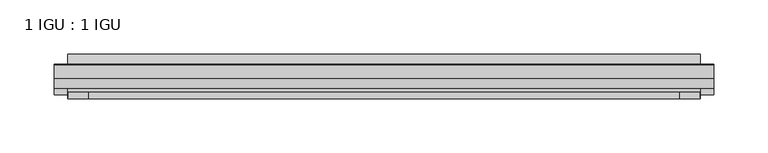
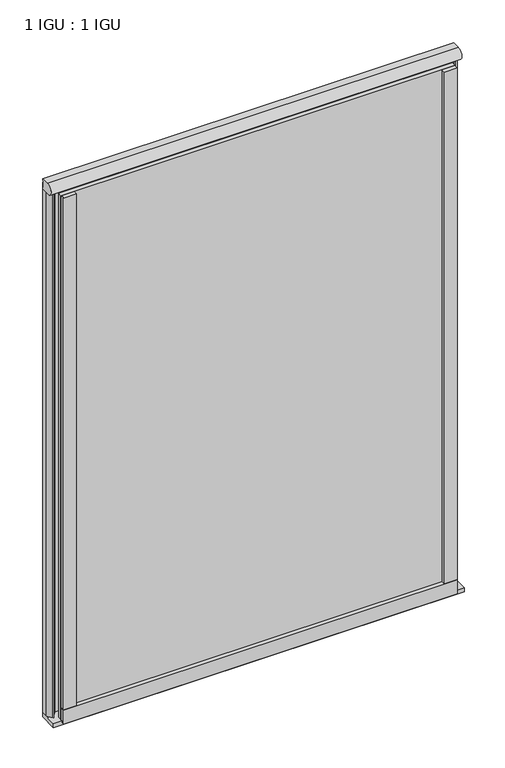
"""IFC4 building model written with IfcOpenShell, lengths in millimetres: plate geometry, 1 IGU : 1 IGU."""

from ifc_helpers import new_model, si_unit, point, frame, frame_2d, origin, place, context, project, spatial, polyline, circle_curve, ellipse_curve, trimmed, segment, composite_curve, outline, extrude, source, transform, mapped, element, save
from ifc_brep_helpers import plane_surface, revolved_surface, extruded_surface, advanced_brep


def plate_1_igu_1_igu_01525614(model_context):
    return source(origin(), model_context, "Body", "SolidModel", [
        extrude(outline(polyline([(292.1, 0.0021347), (292.1, -6.2992), (-292.1, -6.2992), (-292.1, 0.0021347), (292.1, 0.0021347)])), frame((0.0, 0.0, -19.05), z_axis=(0.0, 0.0, 1.0), x_axis=(1.0, 0.0, 0.0)), (0.0, 0.0, 1.0), 822.3250001),
        extrude(outline(polyline([(-292.1, -19.0986653), (292.1, -19.0986653), (292.1, -25.3978653), (-292.1, -25.3978653), (-292.1, -19.0986653)])), frame((0.0, 0.0, -19.05), z_axis=(0.0, 0.0, 1.0), x_axis=(1.0, 0.0, 0.0)), (0.0, 0.0, 1.0), 822.3250001),
        advanced_brep(
        [(304.8, -0.8454205, 819.1500001), (304.8, -12.7, 819.1500001), (304.8, -17.3907831, 803.2750001), (304.8, 0.0, 803.2750001), (-304.8, -0.8454205, 819.1500001), (-304.8, 0.0, 803.2750001), (-304.8, -17.3907831, 803.2750001), (-304.8, -12.7, 819.1500001)],
        [
            (0, 1),
            (1, 2, ellipse_curve(frame((304.8, -12.7, 810.6263315), z_axis=(1.0, 0.0, 0.0), x_axis=(0.0, -1.0, 0.0)), 9.2680588, 8.5236686)),
            (2, 3),
            (3, 0, circle_curve(frame((304.8, 29.6035756, 812.8115449), z_axis=(-1.0, 0.0, 0.0), x_axis=(0.0, 0.0, 1.0)), 31.1017263)),
            (4, 5, circle_curve(frame((-304.8, 29.6035756, 812.8115449), z_axis=(1.0, 0.0, 0.0), x_axis=(0.0, 0.0, 1.0)), 31.1017263)),
            (5, 6),
            (6, 7, ellipse_curve(frame((-304.8, -12.7, 810.6263315), z_axis=(-1.0, 0.0, 0.0), x_axis=(0.0, -1.0, 0.0)), 9.2680588, 8.5236686)),
            (7, 4),
            (0, 4),
            (7, 1),
            (6, 2),
            (5, 3),
        ],
        [
            plane_surface(frame((304.8, 0.0, 809.6250001), z_axis=(1.0, 0.0, 0.0), x_axis=(0.0, 1.0, 0.0))),
            plane_surface(frame((-304.8, 0.0, 809.6250001), z_axis=(-1.0, 0.0, 0.0), x_axis=(0.0, 1.0, 0.0))),
            plane_surface(frame((304.8, -0.8454205, 819.1500001), z_axis=(0.0, 0.0, 1.0), x_axis=(-1.0, 0.0, 0.0))),
            extruded_surface(trimmed(ellipse_curve(frame((-304.8, -12.7, 810.6263315), z_axis=(1.0, 0.0, 0.0), x_axis=(0.0, -1.0, 0.0)), 9.2680588, 8.5236686), [point((-304.8, -12.7, 819.1500001))], [point((-304.8, -17.3907831, 803.2750001))], True, "CARTESIAN"), (609.6, 0.0, 0.0), 609.6),
            plane_surface(frame((304.8, -17.3907831, 803.2750001), z_axis=(0.0, 0.0, -1.0), x_axis=(-1.0, 0.0, 0.0))),
            revolved_surface(polyline([(-304.8, 29.6035756, 843.9132711999999), (304.8, 29.6035756, 843.9132711999999)]), (304.8, 29.6035756, 812.8115449), (-1.0, 0.0, 0.0)),
        ],
        [
            (0, [[1, 2, 3, 4]]),
            (1, [[5, 6, 7, 8]]),
            (2, [[-1, 9, -8, 10]]),
            (3, [[-2, -10, -7, 11]]),
            (4, [[-3, -11, -6, 12]]),
            (5, [[-4, -12, -5, -9]]),
        ],
    ),
        extrude(outline(composite_curve([segment(trimmed(circle_curve(frame_2d((10.9021792, -22.6833935)), 11.4916952), [point((0.0, -19.05))], [point((-0.2638007, -25.4))], True, "CARTESIAN"), True, "CONTINUOUS"), segment(polyline([(-0.2638007, -25.4), (-27.9952564, -25.4), (-27.9952564, -19.05), (0.0, -19.05)]), True, "CONTINUOUS")], self_intersect=False)), frame((-304.8, 0.0, 0.0), z_axis=(1.0, 0.0, 0.0), x_axis=(0.0, 1.0, 0.0)), (0.0, 0.0, 1.0), 609.6),
        extrude(outline(composite_curve([segment(polyline([(304.8, 0.0), (304.8, -9.7395025), (299.2337691, -16.3730781)]), True, "CONTINUOUS"), segment(trimmed(circle_curve(frame_2d((298.2800941, -15.7728374)), 1.1268473), [point((299.2337691, -16.3730781))], [point((297.1791412, -16.0130197))], False, "CARTESIAN"), True, "CONTINUOUS"), segment(polyline([(297.1791412, -16.0130197), (296.1989498, -11.7377885)]), True, "CONTINUOUS"), segment(trimmed(circle_curve(frame_2d((296.0714979, -7.7683362)), 3.9714979), [point((296.1989498, -11.7377885))], [point((292.1001786, -7.8060014))], False, "CARTESIAN"), True, "CONTINUOUS"), segment(polyline([(292.1001786, -7.8060014), (292.1001786, 0.0), (304.8, 0.0)]), True, "CONTINUOUS")], self_intersect=False)), frame((0.0, 0.0, -19.05), z_axis=(0.0, 0.0, 1.0), x_axis=(1.0, 0.0, 0.0)), (0.0, 0.0, 1.0), 832.6374001),
        extrude(outline(composite_curve([segment(polyline([(-292.1, 8.8e-06), (-292.1, -7.7683362)]), True, "CONTINUOUS"), segment(trimmed(circle_curve(frame_2d((-296.0714979, -7.7683362)), 3.9714979), [point((-292.1, -7.7683362))], [point((-296.1989498, -11.7377885))], False, "CARTESIAN"), True, "CONTINUOUS"), segment(polyline([(-296.1989498, -11.7377885), (-297.1789843, -16.012436)]), True, "CONTINUOUS"), segment(trimmed(circle_curve(frame_2d((-298.2801933, -15.7723555)), 1.1270758), [point((-297.1789843, -16.012436))], [point((-299.2340327, -16.372764))], False, "CARTESIAN"), True, "CONTINUOUS"), segment(polyline([(-299.2340327, -16.372764), (-304.8, -9.7395025), (-304.8, 8.8e-06), (-292.1, 8.8e-06)]), True, "CONTINUOUS")], self_intersect=False)), frame((0.0, 0.0, -19.05), z_axis=(0.0, 0.0, 1.0), x_axis=(1.0, 0.0, 0.0)), (0.0, 0.0, 1.0), 832.6374001),
        extrude(outline(composite_curve([segment(polyline([(-31.75, 0.0), (-25.4, 0.0), (-25.4, -22.225)]), True, "CONTINUOUS"), segment(trimmed(circle_curve(frame_2d((-28.575, -28.9113452)), 7.4018806), [point((-25.4, -22.225))], [point((-31.75, -22.225))], True, "CARTESIAN"), True, "CONTINUOUS"), segment(polyline([(-31.75, -22.225), (-31.75, 0.0)]), True, "CONTINUOUS")], self_intersect=False)), frame((-292.1, 0.0, 0.0), z_axis=(1.0, 0.0, 0.0), x_axis=(0.0, 1.0, 0.0)), (0.0, 0.0, 1.0), 584.2),
        extrude(outline(composite_curve([segment(trimmed(circle_curve(frame_2d((13.6593785, 32.4202472)), 31.3046461), [point((0.0, 4.2528503))], [point((9.3980339, 1.406995))], True, "CARTESIAN"), True, "CONTINUOUS"), segment(polyline([(9.3980339, 1.406995), (9.3980339, 0.0254), (6.35, 0.0254), (6.35, -5.1625788), (7.7309478, -5.3970663), (6.35, -8.0073788), (6.35, -11.8471127)]), True, "CONTINUOUS"), segment(trimmed(circle_curve(frame_2d((5.334, -11.8471127)), 1.016), [point((6.35, -11.8471127))], [point((4.6284878, -12.5782136))], False, "CARTESIAN"), True, "CONTINUOUS"), segment(trimmed(circle_curve(frame_2d((-23.3689302, -41.5910901)), 40.3187601), [point((4.6284878, -12.5782136))], [point((0.0, -8.735413))], True, "CARTESIAN"), True, "CONTINUOUS"), segment(polyline([(0.0, -8.735413), (0.0, 4.2528503)]), True, "CONTINUOUS")], self_intersect=False)), frame((-292.1, 0.0, 0.0), z_axis=(1.0, 0.0, 0.0), x_axis=(0.0, 1.0, 0.0)), (0.0, 0.0, 1.0), 584.2),
        extrude(outline(composite_curve([segment(polyline([(273.05, -25.4), (292.1, -25.4)]), True, "CONTINUOUS"), segment(trimmed(circle_curve(frame_2d((301.5661507, -28.575)), 9.9844196), [point((292.1, -25.4))], [point((292.1, -31.75))], True, "CARTESIAN"), True, "CONTINUOUS"), segment(polyline([(292.1, -31.75), (273.05, -31.75), (273.05, -25.4)]), True, "CONTINUOUS")], self_intersect=False)), frame((0.0, 0.0, -19.05), z_axis=(0.0, 0.0, 1.0), x_axis=(1.0, 0.0, 0.0)), (0.0, 0.0, 1.0), 822.3250001),
        extrude(outline(composite_curve([segment(trimmed(circle_curve(frame_2d((-301.5661507, -28.575)), 9.9844196), [point((-292.1, -31.75))], [point((-292.1, -25.4))], True, "CARTESIAN"), True, "CONTINUOUS"), segment(polyline([(-292.1, -25.4), (-273.05, -25.4), (-273.05, -31.75), (-292.1, -31.75)]), True, "CONTINUOUS")], self_intersect=False)), frame((0.0, 0.0, -19.05), z_axis=(0.0, 0.0, 1.0), x_axis=(1.0, 0.0, 0.0)), (0.0, 0.0, 1.0), 822.3250001),
    ])


if __name__ == "__main__":
    model = new_model("IFC4")
    model_context = context("Model", 3, world=origin())
    ifc_project = project(units=[si_unit("LENGTHUNIT", "METRE", prefix="MILLI")], contexts=[model_context])
    site = spatial("IfcSite", under=ifc_project)
    building = spatial("IfcBuilding", under=site)
    placement = place(None, origin())
    plate_1_igu_1_igu_shape = plate_1_igu_1_igu_01525614(model_context)
    element("IfcPlate", 1, ObjectType="1 IGU : 1 IGU", at=placement, inside=building, context=model_context, shape_type="MappedRepresentation", body=[
        mapped(plate_1_igu_1_igu_shape, transform((0.0, 0.0, 0.0), x_axis=(1.0, 0.0, 0.0), y_axis=(0.0, 1.0, 0.0), z_axis=(0.0, 0.0, 1.0))),
    ])
    save(model, "model.ifc")
